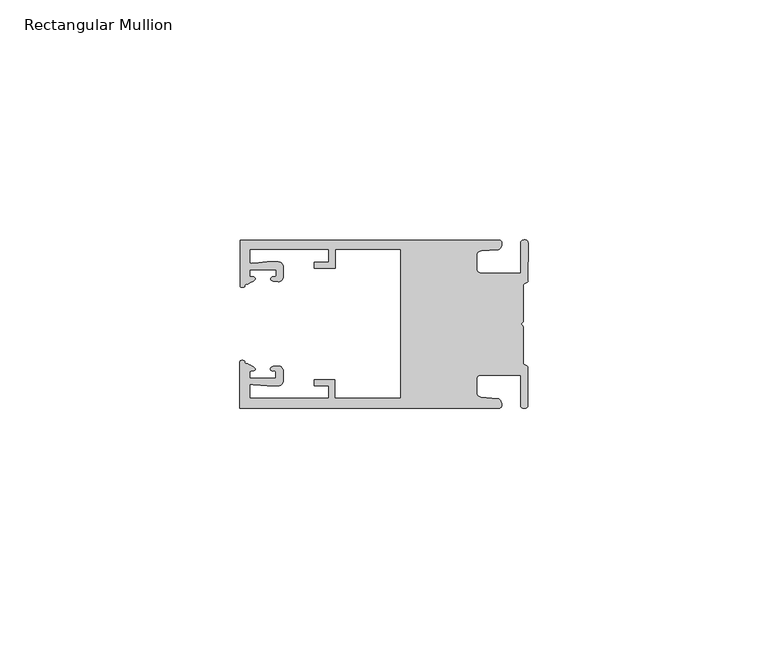
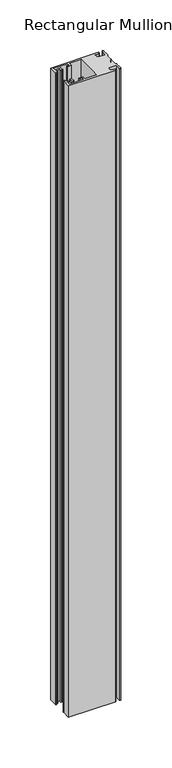
"""IFC4 building model written with IfcOpenShell, lengths in millimetres: member geometry, Rectangular Mullion."""

from ifc_helpers import new_model, si_unit, frame, origin, place, context, project, spatial, circle_curve, source, transform, mapped, element, save
from ifc_brep_helpers import plane_surface, cylinder_surface, extruded_surface, spline_curve, advanced_brep


def rectangular_mullion_33984936(model_context):
    return source(origin(), model_context, "Body", "AdvancedBrep", [
        advanced_brep(
        [(-60.0749377, 17.5111528, 0.0), (-60.0749377, 8.0140787, 0.0), (-59.3252567, 7.7187455, 0.0), (-58.4967974, 8.36785, 0.0), (-58.0726619, 10.1173923, 0.0), (-58.0713101, 11.3673916, 0.0), (-52.5713133, 11.3614437, 0.0), (-52.5726651, 10.1114444, 0.0), (-53.1427626, 8.8955539, 0.0), (-52.0740172, 8.8609044, 0.0), (-51.0729364, 9.8598224, 0.0), (-51.0706653, 11.9598211, 0.0), (-52.0700692, 12.9609024, 0.0), (-54.3905105, 12.9622843, 0.0), (-57.1599646, 12.7230061, 0.0), (-58.0696339, 12.9173907, 0.0), (-58.066768, 15.5673891, 0.0), (-41.5667584, 15.5673891, 0.0), (-41.5695894, 12.9495468, 0.0), (-44.5695877, 12.9527912, 0.0), (-44.5709936, 11.6527919, 0.0), (-40.2709961, 11.6481417, 0.0), (-40.2667576, 15.5673891, 0.0), (-26.6002952, 15.5673891, 0.0), (-26.6002952, -15.4518424, 0.0), (-40.3003032, -15.4518424, 0.0), (-40.2960856, -11.5518447, 0.0), (-44.5960831, -11.5471945, 0.0), (-44.597489, -12.8471938, 0.0), (-41.5974907, -12.8504381, 0.0), (-41.6003025, -15.4504366, 0.0), (-58.1002928, -15.4325927, 0.0), (-58.097427, -12.7825943, 0.0), (-57.1873395, -12.5901776, 0.0), (-54.4184094, -12.8354453, 0.0), (-52.0979705, -12.8390822, 0.0), (-51.0964037, -11.8401649, 0.0), (-51.0941327, -9.7401662, 0.0), (-52.0930507, -8.7390853, 0.0), (-53.1618685, -8.7714231, 0.0), (-52.5944022, -9.9885439, 0.0), (-52.595754, -11.2385431, 0.0), (-58.0957508, -11.2325952, 0.0), (-58.094399, -9.9825959, 0.0), (-58.5147494, -8.2321403, 0.0), (-59.3418028, -7.5812455, 0.0), (-60.0921208, -7.8749565, 0.0), (-60.0921208, -17.4888267, 0.0), (-6.1024861, -17.4888267, 0.0), (-6.5218639, -15.488372, 0.0), (-9.8784944, -15.2205466, 0.0), (-10.7989567, -14.2226333, 0.0), (-10.7961029, -11.5837474, 0.0), (-9.8734844, -10.5878272, 0.0), (-1.5950266, -10.5934991, 0.0), (-1.601948, -16.9936935, 0.0), (-0.1017194, -16.7830581, 0.0), (-0.0933208, -9.0170082, 0.0), (-1.0923837, -8.1499018, 0.0), (-1.0842165, -0.5977972, 0.0), (-1.0829111, 0.6093089, 0.0), (-1.0747439, 8.1614135, 0.0), (-0.0738079, 9.026357, 0.0), (-0.0654093, 16.7924069, 0.0), (-1.5651789, 17.0062866, 0.0), (-1.5651789, 10.6183257, 0.0), (-9.8505511, 10.6183257, 0.0), (-10.7710133, 11.6162391, 0.0), (-10.7681595, 14.255125, 0.0), (-9.845541, 15.2510452, 0.0), (-6.4883391, 15.5116099, 0.0), (-6.0646356, 17.5111528, 0.0), (-60.0749377, 17.5111528, -761.3333333), (-6.0646356, 17.5111528, -761.3333333), (-6.4883391, 15.5116099, -761.3333333), (-9.845541, 15.2510452, -761.3333333), (-10.7681595, 14.255125, -761.3333333), (-10.7710133, 11.6162391, -761.3333333), (-9.8505511, 10.6183257, -761.3333333), (-1.5651789, 10.6183257, -761.3333333), (-1.5651789, 17.0062866, -761.3333333), (-0.0654093, 16.7924069, -761.3333333), (-0.0738079, 9.026357, -761.3333333), (-1.0747439, 8.1614135, -761.3333333), (-1.0829111, 0.6093089, -761.3333333), (-1.0842165, -0.5977972, -761.3333333), (-1.0923837, -8.1499018, -761.3333333), (-0.0933208, -9.0170082, -761.3333333), (-0.1017194, -16.7830581, -761.3333333), (-1.601948, -16.9936935, -761.3333333), (-1.5950266, -10.5934991, -761.3333333), (-9.8734844, -10.5878272, -761.3333333), (-10.7961029, -11.5837474, -761.3333333), (-10.7989567, -14.2226333, -761.3333333), (-9.8784944, -15.2205466, -761.3333333), (-6.5218639, -15.488372, -761.3333333), (-6.1024861, -17.4888267, -761.3333333), (-60.0921208, -17.4888267, -761.3333333), (-60.0921208, -7.8749565, -761.3333333), (-59.3418028, -7.5812455, -761.3333333), (-58.5147494, -8.2321403, -761.3333333), (-58.094399, -9.9825959, -761.3333333), (-58.0957508, -11.2325952, -761.3333333), (-52.595754, -11.2385431, -761.3333333), (-52.5944022, -9.9885439, -761.3333333), (-53.1618685, -8.7714231, -761.3333333), (-52.0930507, -8.7390853, -761.3333333), (-51.0941327, -9.7401662, -761.3333333), (-51.0964037, -11.8401649, -761.3333333), (-52.0979705, -12.8390823, -761.3333333), (-54.4184094, -12.8354453, -761.3333333), (-57.1873395, -12.5901776, -761.3333333), (-58.097427, -12.7825943, -761.3333333), (-58.1002928, -15.4325927, -761.3333333), (-41.6003025, -15.4504366, -761.3333333), (-41.5974907, -12.8504381, -761.3333333), (-44.597489, -12.8471938, -761.3333333), (-44.5960831, -11.5471945, -761.3333333), (-40.2960856, -11.5518447, -761.3333333), (-40.3003032, -15.4518424, -761.3333333), (-26.6002952, -15.4518424, -761.3333333), (-26.6002952, 15.5673891, -761.3333333), (-40.2667576, 15.5673891, -761.3333333), (-40.2709961, 11.6481417, -761.3333333), (-44.5709936, 11.6527919, -761.3333333), (-44.5695877, 12.9527912, -761.3333333), (-41.5695894, 12.9495468, -761.3333333), (-41.5667584, 15.5673891, -761.3333333), (-58.066768, 15.5673891, -761.3333333), (-58.0696339, 12.9173907, -761.3333333), (-57.1599646, 12.7230061, -761.3333333), (-54.3905105, 12.9622843, -761.3333333), (-52.0700692, 12.9609023, -761.3333333), (-51.0706653, 11.9598211, -761.3333333), (-51.0729364, 9.8598224, -761.3333333), (-52.0740172, 8.8609044, -761.3333333), (-53.1427626, 8.8955539, -761.3333333), (-52.5726651, 10.1114444, -761.3333333), (-52.5713133, 11.3614437, -761.3333333), (-58.0713101, 11.3673916, -761.3333333), (-58.0726619, 10.1173923, -761.3333333), (-58.4967974, 8.36785, -761.3333333), (-59.3252567, 7.7187455, -761.3333333), (-60.0749377, 8.0140787, -761.3333333)],
        [
            (0, 1),
            (1, 2, spline_curve(3, [(-60.0749377, 8.0140787, 0.0), (-60.075233123, 7.740904774, 0.0), (-59.825339491, 7.642460332, 0.0), (-59.3252567, 7.7187455, 0.0)], [4, 4], [0.0, 0.0019169337574178654])),
            (2, 3, spline_curve(3, [(-59.3252567, 7.7187455, 0.0), (-59.094460914, 7.75918372, 0.0), (-59.054835463, 7.902257199, 0.0), (-59.05559987, 8.233305614, 0.0), (-59.138729113, 8.4134359, 0.0), (-58.4967974, 8.36785, 0.0)], [4, 2, 4], [0.0, 0.0010199524164107188, 0.0024874514725970356])),
            (3, 4, spline_curve(3, [(-58.4967974, 8.36785, 0.0), (-57.022393378, 9.053435667, 0.0), (-56.827266887, 9.364828726, 0.0), (-56.982213078, 9.742623404, 0.0), (-57.177375211, 9.855581791, 0.0), (-57.697928101, 9.887955071, 0.0), (-57.997449153, 9.835475348, 0.0), (-58.0726619, 10.1173923, 0.0)], [4, 2, 2, 4], [0.0, 0.003269869179570428, 0.005490050486237203, 0.0073545767114364426])),
            (4, 5),
            (5, 6),
            (6, 7),
            (7, 8, spline_curve(3, [(-52.5726651, 10.1114444, 0.0), (-52.667195519, 9.760172042, 0.0), (-52.937094388, 9.861877724, 0.0), (-53.356237032, 9.895631753, 0.0), (-53.491940439, 9.811038713, 0.0), (-53.761900775, 9.511438033, 0.0), (-53.892893546, 9.278787104, 0.0), (-53.1427626, 8.8955539, 0.0)], [4, 2, 2, 4], [0.0, 0.001593963049934732, 0.0033360256320283306, 0.005339140673503943])),
            (8, 9),
            (9, 10, circle_curve(frame((-52.0729358, 9.8609038, 0.0), z_axis=(0.0, 0.0, 1.0), x_axis=(-0.0010814451158600304, -0.9999994152380598, 0.0)), 1.0)),
            (10, 11),
            (11, 12, circle_curve(frame((-52.0706647, 11.9609026, 0.0), z_axis=(0.0, 0.0, 1.0), x_axis=(-0.0010814451158600304, -0.9999994152380598, 0.0)), 1.0)),
            (12, 13),
            (13, 14),
            (14, 15, spline_curve(3, [(-57.1599646, 12.7230061, 0.0), (-57.631533854, 12.682262968, 0.0), (-58.018602985, 12.477800124, 0.0), (-58.0696339, 12.9173907, 0.0)], [4, 4], [0.0, 0.0014803385355886016])),
            (15, 16),
            (16, 17),
            (17, 18),
            (18, 19),
            (19, 20),
            (20, 21),
            (21, 22),
            (22, 23),
            (23, 24),
            (24, 25),
            (25, 26),
            (26, 27),
            (27, 28),
            (28, 29),
            (29, 30),
            (30, 31),
            (31, 32),
            (32, 33, spline_curve(3, [(-58.097427, -12.7825943, 0.0), (-58.045445419, -12.343115126, 0.0), (-57.658819528, -12.548414611, 0.0), (-57.1873395, -12.5901776, 0.0)], [4, 4], [0.0, 0.0014803385355886016])),
            (33, 34),
            (34, 35),
            (35, 36, circle_curve(frame((-52.0964031, -11.8390835, 0.0), z_axis=(0.0, 0.0, 1.0), x_axis=(0.0010814451158600304, 0.9999994152380598, 0.0)), 1.0)),
            (36, 37),
            (37, 38, circle_curve(frame((-52.0941321, -9.7390847, 0.0), z_axis=(0.0, 0.0, 1.0), x_axis=(0.0010814451158600304, 0.9999994152380598, 0.0)), 1.0)),
            (38, 39),
            (39, 40, spline_curve(3, [(-53.1618685, -8.7714231, 0.0), (-53.912826582, -9.153032958, 0.0), (-53.782337352, -9.385966711, 0.0), (-53.51302565, -9.686150585, 0.0), (-53.377505444, -9.771037009, 0.0), (-52.958290774, -9.738189618, 0.0), (-52.688172635, -9.637067904, 0.0), (-52.5944022, -9.9885439, 0.0)], [4, 2, 2, 4], [0.0, 0.002003115041475612, 0.0037451776235692107, 0.005339140673503943])),
            (40, 41),
            (41, 42),
            (42, 43),
            (43, 44, spline_curve(3, [(-58.094399, -9.9825959, 0.0), (-58.018576674, -9.700842284, 0.0), (-57.719169706, -9.753969703, 0.0), (-57.198548014, -9.722722397, 0.0), (-57.003142178, -9.61018632, 0.0), (-56.847379222, -9.232727657, 0.0), (-57.041831673, -8.920913336, 0.0), (-58.5147494, -8.2321403, 0.0)], [4, 2, 2, 4], [0.0, 0.0018645262251992395, 0.004084707531866015, 0.0073545767114364426])),
            (44, 45, spline_curve(3, [(-58.5147494, -8.2321403, 0.0), (-59.156778208, -8.276337666, 0.0), (-59.073259494, -8.096387681, 0.0), (-59.071779067, -7.765341694, 0.0), (-59.111095017, -7.622182811, 0.0), (-59.3418028, -7.5812455, 0.0)], [4, 2, 4], [0.0, 0.0014674990561863168, 0.0024874514725970356])),
            (45, 46, spline_curve(3, [(-59.3418028, -7.5812455, 0.0), (-59.841719425, -7.503878887, 0.0), (-60.091825377, -7.601782574, 0.0), (-60.0921208, -7.8749565, 0.0)], [4, 4], [0.0, 0.0019169337574178654])),
            (46, 47),
            (47, 48),
            (48, 49, spline_curve(3, [(-6.1024861, -17.4888267, 0.0), (-5.074532184, -17.418062188, 0.0), (-5.631140689, -15.411414367, 0.0), (-6.5218639, -15.488372, 0.0)], [4, 4], [0.0, 0.0043819361547461745])),
            (49, 50),
            (50, 51, spline_curve(3, [(-9.8784944, -15.2205466, 0.0), (-10.440691543, -15.150698463, 0.0), (-10.74751234, -14.818060727, 0.0), (-10.7989567, -14.2226333, 0.0)], [4, 4], [0.0, 0.0028645797420738927])),
            (51, 52),
            (52, 53, spline_curve(3, [(-10.7961029, -11.5837474, 0.0), (-10.743370817, -10.988432634, 0.0), (-10.435831301, -10.656459204, 0.0), (-9.8734844, -10.5878272, 0.0)], [4, 4], [0.0, 0.0028645797420738927])),
            (53, 54),
            (54, 55),
            (55, 56, spline_curve(3, [(-1.601948, -16.9936935, 0.0), (-1.655676874, -17.600261454, 0.0), (-0.043737403, -17.912795581, 0.0), (-0.1017194, -16.7830581, 0.0)], [4, 4], [0.0, 0.0036987374396357936])),
            (56, 57),
            (57, 58, spline_curve(3, [(-0.0933208, -9.0170082, 0.0), (-0.018818183, -8.695886697, 0.0), (-1.193434327, -8.459763043, 0.0), (-1.0923837, -8.1499018, 0.0)], [4, 4], [0.0, 0.002027216749630121])),
            (58, 59),
            (59, 60, spline_curve(3, [(-1.0842165, -0.5977972, 0.0), (-1.013223198, -0.445980437, 0.0), (-1.487945123, -0.206736825, 0.0), (-1.487409651, 0.231097965, 0.0), (-0.999110985, 0.429090391, 0.0), (-1.0829111, 0.6093089, 0.0)], [4, 2, 4], [0.0, 0.00249866671847065, 0.005031402919736269])),
            (60, 61),
            (61, 62, spline_curve(3, [(-1.0747439, 8.1614135, 0.0), (-1.175124095, 8.47149258, 0.0), (-7e-09, 8.705075107, 0.0), (-0.0738079, 9.026357, 0.0)], [4, 4], [0.0, 0.002027216749630121])),
            (62, 63),
            (63, 64, spline_curve(3, [(-0.0654093, 16.7924069, 0.0), (-0.004983942, 17.92201633, 0.0), (-1.617595709, 17.612969344, 0.0), (-1.5651789, 17.0062866, 0.0)], [4, 4], [0.0, 0.0036987374396357936])),
            (64, 65),
            (65, 66),
            (66, 67, spline_curve(3, [(-9.8505511, 10.6183257, 0.0), (-10.412748243, 10.688173837, 0.0), (-10.71956894, 11.020811673, 0.0), (-10.7710133, 11.6162391, 0.0)], [4, 4], [0.0, 0.0028645797420738927])),
            (67, 68),
            (68, 69, spline_curve(3, [(-10.7681595, 14.255125, 0.0), (-10.715427417, 14.850439766, 0.0), (-10.407887901, 15.182413196, 0.0), (-9.845541, 15.2510452, 0.0)], [4, 4], [0.0, 0.0028645797420738927])),
            (69, 70),
            (70, 71, spline_curve(3, [(-6.4883391, 15.5116099, 0.0), (-5.597784423, 15.432725911, 0.0), (-5.036837144, 17.438165103, 0.0), (-6.0646356, 17.5111528, 0.0)], [4, 4], [0.0, 0.0043819361547461745])),
            (71, 0),
            (72, 73),
            (73, 74, spline_curve(3, [(-6.0646356, 17.5111528, -761.3333333), (-5.036837144, 17.438165103, -761.3333333), (-5.597784423, 15.432725911, -761.3333333), (-6.4883391, 15.5116099, -761.3333333)], [4, 4], [0.0, 0.0043819361547461745])),
            (74, 75),
            (75, 76, spline_curve(3, [(-9.845541, 15.2510452, -761.3333333), (-10.407887901, 15.182413196, -761.3333333), (-10.715427417, 14.850439766, -761.3333333), (-10.7681595, 14.255125, -761.3333333)], [4, 4], [0.0, 0.0028645797420738927])),
            (76, 77),
            (77, 78, spline_curve(3, [(-10.7710133, 11.6162391, -761.3333333), (-10.71956894, 11.020811673, -761.3333333), (-10.412748243, 10.688173837, -761.3333333), (-9.8505511, 10.6183257, -761.3333333)], [4, 4], [0.0, 0.0028645797420738927])),
            (78, 79),
            (79, 80),
            (80, 81, spline_curve(3, [(-1.5651789, 17.0062866, -761.3333333), (-1.617595709, 17.612969344, -761.3333333), (-0.004983942, 17.92201633, -761.3333333), (-0.0654093, 16.7924069, -761.3333333)], [4, 4], [0.0, 0.0036987374396357936])),
            (81, 82),
            (82, 83, spline_curve(3, [(-0.0738079, 9.026357, -761.3333333), (-7e-09, 8.705075107, -761.3333333), (-1.175124095, 8.47149258, -761.3333333), (-1.0747439, 8.1614135, -761.3333333)], [4, 4], [0.0, 0.002027216749630121])),
            (83, 84),
            (84, 85, spline_curve(3, [(-1.0829111, 0.6093089, -761.3333333), (-0.999110985, 0.429090391, -761.3333333), (-1.487409651, 0.231097965, -761.3333333), (-1.487945123, -0.206736825, -761.3333333), (-1.013223198, -0.445980437, -761.3333333), (-1.0842165, -0.5977972, -761.3333333)], [4, 2, 4], [0.0, 0.002532736201265619, 0.005031402919736269])),
            (85, 86),
            (86, 87, spline_curve(3, [(-1.0923837, -8.1499018, -761.3333333), (-1.193434327, -8.459763043, -761.3333333), (-0.018818183, -8.695886697, -761.3333333), (-0.0933208, -9.0170082, -761.3333333)], [4, 4], [0.0, 0.002027216749630121])),
            (87, 88),
            (88, 89, spline_curve(3, [(-0.1017194, -16.7830581, -761.3333333), (-0.043737403, -17.912795581, -761.3333333), (-1.655676874, -17.600261454, -761.3333333), (-1.601948, -16.9936935, -761.3333333)], [4, 4], [0.0, 0.0036987374396357936])),
            (89, 90),
            (90, 91),
            (91, 92, spline_curve(3, [(-9.8734844, -10.5878272, -761.3333333), (-10.435831301, -10.656459204, -761.3333333), (-10.743370817, -10.988432634, -761.3333333), (-10.7961029, -11.5837474, -761.3333333)], [4, 4], [0.0, 0.0028645797420738927])),
            (92, 93),
            (93, 94, spline_curve(3, [(-10.7989567, -14.2226333, -761.3333333), (-10.74751234, -14.818060727, -761.3333333), (-10.440691543, -15.150698463, -761.3333333), (-9.8784944, -15.2205466, -761.3333333)], [4, 4], [0.0, 0.0028645797420738927])),
            (94, 95),
            (95, 96, spline_curve(3, [(-6.5218639, -15.488372, -761.3333333), (-5.631140689, -15.411414367, -761.3333333), (-5.074532184, -17.418062188, -761.3333333), (-6.1024861, -17.4888267, -761.3333333)], [4, 4], [0.0, 0.0043819361547461745])),
            (96, 97),
            (97, 98),
            (98, 99, spline_curve(3, [(-60.0921208, -7.8749565, -761.3333333), (-60.091825377, -7.601782574, -761.3333333), (-59.841719425, -7.503878887, -761.3333333), (-59.3418028, -7.5812455, -761.3333333)], [4, 4], [0.0, 0.0019169337574178654])),
            (99, 100, spline_curve(3, [(-59.3418028, -7.5812455, -761.3333333), (-59.111095017, -7.622182811, -761.3333333), (-59.071779067, -7.765341694, -761.3333333), (-59.073259494, -8.096387681, -761.3333333), (-59.156778208, -8.276337666, -761.3333333), (-58.5147494, -8.2321403, -761.3333333)], [4, 2, 4], [0.0, 0.0010199524164107188, 0.0024874514725970356])),
            (100, 101, spline_curve(3, [(-58.5147494, -8.2321403, -761.3333333), (-57.041831673, -8.920913336, -761.3333333), (-56.847379222, -9.232727657, -761.3333333), (-57.003142178, -9.61018632, -761.3333333), (-57.198548014, -9.722722397, -761.3333333), (-57.719169706, -9.753969703, -761.3333333), (-58.018576674, -9.700842284, -761.3333333), (-58.094399, -9.9825959, -761.3333333)], [4, 2, 2, 4], [0.0, 0.003269869179570428, 0.005490050486237203, 0.0073545767114364426])),
            (101, 102),
            (102, 103),
            (103, 104),
            (104, 105, spline_curve(3, [(-52.5944022, -9.9885439, -761.3333333), (-52.688172635, -9.637067904, -761.3333333), (-52.958290774, -9.738189618, -761.3333333), (-53.377505444, -9.771037009, -761.3333333), (-53.51302565, -9.686150585, -761.3333333), (-53.782337352, -9.385966711, -761.3333333), (-53.912826582, -9.153032958, -761.3333333), (-53.1618685, -8.7714231, -761.3333333)], [4, 2, 2, 4], [0.0, 0.001593963049934732, 0.0033360256320283306, 0.005339140673503943])),
            (105, 106),
            (106, 107, circle_curve(frame((-52.0941321, -9.7390847, -761.3333333), z_axis=(0.0, 0.0, -1.0), x_axis=(0.0010814451158600304, 0.9999994152380598, 0.0)), 1.0)),
            (107, 108),
            (108, 109, circle_curve(frame((-52.0964031, -11.8390835, -761.3333333), z_axis=(0.0, 0.0, -1.0), x_axis=(0.0010814451158600304, 0.9999994152380598, 0.0)), 1.0)),
            (109, 110),
            (110, 111),
            (111, 112, spline_curve(3, [(-57.1873395, -12.5901776, -761.3333333), (-57.658819528, -12.548414611, -761.3333333), (-58.045445419, -12.343115126, -761.3333333), (-58.097427, -12.7825943, -761.3333333)], [4, 4], [0.0, 0.0014803385355886016])),
            (112, 113),
            (113, 114),
            (114, 115),
            (115, 116),
            (116, 117),
            (117, 118),
            (118, 119),
            (119, 120),
            (120, 121),
            (121, 122),
            (122, 123),
            (123, 124),
            (124, 125),
            (125, 126),
            (126, 127),
            (127, 128),
            (128, 129),
            (129, 130, spline_curve(3, [(-58.0696339, 12.9173907, -761.3333333), (-58.018602985, 12.477800124, -761.3333333), (-57.631533854, 12.682262968, -761.3333333), (-57.1599646, 12.7230061, -761.3333333)], [4, 4], [0.0, 0.0014803385355886016])),
            (130, 131),
            (131, 132),
            (132, 133, circle_curve(frame((-52.0706647, 11.9609026, -761.3333333), z_axis=(0.0, 0.0, -1.0), x_axis=(-0.0010814451158600304, -0.9999994152380598, 0.0)), 1.0)),
            (133, 134),
            (134, 135, circle_curve(frame((-52.0729358, 9.8609038, -761.3333333), z_axis=(0.0, 0.0, -1.0), x_axis=(-0.0010814451158600304, -0.9999994152380598, 0.0)), 1.0)),
            (135, 136),
            (136, 137, spline_curve(3, [(-53.1427626, 8.8955539, -761.3333333), (-53.892893546, 9.278787104, -761.3333333), (-53.761900775, 9.511438033, -761.3333333), (-53.491940439, 9.811038713, -761.3333333), (-53.356237032, 9.895631753, -761.3333333), (-52.937094388, 9.861877724, -761.3333333), (-52.667195519, 9.760172042, -761.3333333), (-52.5726651, 10.1114444, -761.3333333)], [4, 2, 2, 4], [0.0, 0.002003115041475612, 0.0037451776235692107, 0.005339140673503943])),
            (137, 138),
            (138, 139),
            (139, 140),
            (140, 141, spline_curve(3, [(-58.0726619, 10.1173923, -761.3333333), (-57.997449153, 9.835475348, -761.3333333), (-57.697928101, 9.887955071, -761.3333333), (-57.177375211, 9.855581791, -761.3333333), (-56.982213078, 9.742623404, -761.3333333), (-56.827266887, 9.364828726, -761.3333333), (-57.022393378, 9.053435667, -761.3333333), (-58.4967974, 8.36785, -761.3333333)], [4, 2, 2, 4], [0.0, 0.0018645262251992395, 0.004084707531866015, 0.0073545767114364426])),
            (141, 142, spline_curve(3, [(-58.4967974, 8.36785, -761.3333333), (-59.138729113, 8.4134359, -761.3333333), (-59.05559987, 8.233305614, -761.3333333), (-59.054835463, 7.902257199, -761.3333333), (-59.094460914, 7.75918372, -761.3333333), (-59.3252567, 7.7187455, -761.3333333)], [4, 2, 4], [0.0, 0.0014674990561863168, 0.0024874514725970356])),
            (142, 143, spline_curve(3, [(-59.3252567, 7.7187455, -761.3333333), (-59.825339491, 7.642460332, -761.3333333), (-60.075233123, 7.740904774, -761.3333333), (-60.0749377, 8.0140787, -761.3333333)], [4, 4], [0.0, 0.0019169337574178654])),
            (143, 72),
            (0, 72),
            (143, 1),
            (142, 2),
            (141, 3),
            (140, 4),
            (139, 5),
            (138, 6),
            (137, 7),
            (136, 8),
            (135, 9),
            (134, 10),
            (133, 11),
            (132, 12),
            (131, 13),
            (130, 14),
            (129, 15),
            (128, 16),
            (127, 17),
            (126, 18),
            (125, 19),
            (124, 20),
            (123, 21),
            (122, 22),
            (121, 23),
            (120, 24),
            (119, 25),
            (118, 26),
            (117, 27),
            (116, 28),
            (115, 29),
            (114, 30),
            (113, 31),
            (112, 32),
            (111, 33),
            (110, 34),
            (109, 35),
            (108, 36),
            (107, 37),
            (106, 38),
            (105, 39),
            (104, 40),
            (103, 41),
            (102, 42),
            (101, 43),
            (100, 44),
            (99, 45),
            (98, 46),
            (97, 47),
            (96, 48),
            (95, 49),
            (94, 50),
            (93, 51),
            (92, 52),
            (91, 53),
            (90, 54),
            (89, 55),
            (88, 56),
            (87, 57),
            (86, 58),
            (85, 59),
            (84, 60),
            (83, 61),
            (82, 62),
            (81, 63),
            (80, 64),
            (79, 65),
            (78, 66),
            (77, 67),
            (76, 68),
            (75, 69),
            (74, 70),
            (73, 71),
        ],
        [
            plane_surface(frame((0.0, -62.5853181, 0.0), z_axis=(0.0, 0.0, 1.0), x_axis=(-1.0, 0.0, 0.0))),
            plane_surface(frame((0.0, -62.5853181, -761.3333333), z_axis=(0.0, 0.0, -1.0), x_axis=(-1.0, 0.0, 0.0))),
            plane_surface(frame((-60.0749377, 17.5111528, 0.0), z_axis=(-1.0, 0.0, 0.0), x_axis=(0.0, 0.0, -1.0))),
            extruded_surface(spline_curve(3, [(-60.0749377, 8.0140787, -761.3333333), (-60.075233123, 7.740904774, -761.3333333), (-59.825339491, 7.642460332, -761.3333333), (-59.3252567, 7.7187455, -761.3333333)], [4, 4], [0.0, 0.0019169337574178654]), (0.0, 0.0, 761.3333333), 761.3333333),
            extruded_surface(spline_curve(3, [(-59.3252567, 7.7187455, -761.3333333), (-59.094460914, 7.75918372, -761.3333333), (-59.054835463, 7.902257199, -761.3333333), (-59.05559987, 8.233305614, -761.3333333), (-59.138729113, 8.4134359, -761.3333333), (-58.4967974, 8.36785, -761.3333333)], [4, 2, 4], [0.0, 0.0010199524164107188, 0.0024874514725970356]), (0.0, 0.0, 761.3333333), 761.3333333),
            extruded_surface(spline_curve(3, [(-58.4967974, 8.36785, -761.3333333), (-57.022393378, 9.053435667, -761.3333333), (-56.827266887, 9.364828726, -761.3333333), (-56.982213078, 9.742623404, -761.3333333), (-57.177375211, 9.855581791, -761.3333333), (-57.697928101, 9.887955071, -761.3333333), (-57.997449153, 9.835475348, -761.3333333), (-58.0726619, 10.1173923, -761.3333333)], [4, 2, 2, 4], [0.0, 0.003269869179570428, 0.005490050486237203, 0.0073545767114364426]), (0.0, 0.0, 761.3333333), 761.3333333),
            plane_surface(frame((-58.0726619, 10.1173923, 0.0), z_axis=(0.9999994152380598, -0.0010814451158634145, 0.0), x_axis=(0.0, 0.0, -1.0))),
            plane_surface(frame((-58.0713101, 11.3673916, 0.0), z_axis=(-0.0010814451158616418, -0.9999994152380598, 0.0), x_axis=(0.0, 0.0, -1.0))),
            plane_surface(frame((-52.5713133, 11.3614437, 0.0), z_axis=(-0.9999994152380598, 0.0010814451158643293, 0.0), x_axis=(0.0, 0.0, -1.0))),
            extruded_surface(spline_curve(3, [(-52.5726651, 10.1114444, -761.3333333), (-52.667195519, 9.760172042, -761.3333333), (-52.937094388, 9.861877724, -761.3333333), (-53.356237032, 9.895631753, -761.3333333), (-53.491940439, 9.811038713, -761.3333333), (-53.761900775, 9.511438033, -761.3333333), (-53.892893546, 9.278787104, -761.3333333), (-53.1427626, 8.8955539, -761.3333333)], [4, 2, 2, 4], [0.0, 0.001593963049934732, 0.0033360256320283306, 0.005339140673503943]), (0.0, 0.0, 761.3333333), 761.3333333),
            plane_surface(frame((-53.1427626, 8.8955539, 0.0), z_axis=(-0.032403661401520414, -0.9994748634797054, 0.0), x_axis=(0.0, 0.0, -1.0))),
            cylinder_surface(frame((-52.0729358, 9.8609038, 0.0), z_axis=(0.0, 0.0, 1.0000000000000002), x_axis=(-0.0010814451158600304, -0.9999994152380598, 0.0)), 1.0),
            plane_surface(frame((-51.0729364, 9.8598224, 0.0), z_axis=(0.9999994152380598, -0.001081445115864059, 0.0), x_axis=(0.0, 0.0, -1.0))),
            cylinder_surface(frame((-52.0706647, 11.9609026, 0.0), z_axis=(0.0, 0.0, 1.0000000000000002), x_axis=(-0.0010814451158600304, -0.9999994152380598, 0.0)), 1.0),
            plane_surface(frame((-52.0700692, 12.9609023, 0.0), z_axis=(0.0005955716436318007, 0.999999822647193, 0.0), x_axis=(0.0, 0.0, -1.0))),
            plane_surface(frame((-54.3905105, 12.9622843, 0.0), z_axis=(-0.08607836189159865, 0.9962883697073147, 0.0), x_axis=(0.0, 0.0, -1.0))),
            extruded_surface(spline_curve(3, [(-57.1599646, 12.7230061, -761.3333333), (-57.631533854, 12.682262968, -761.3333333), (-58.018602985, 12.477800124, -761.3333333), (-58.0696339, 12.9173907, -761.3333333)], [4, 4], [0.0, 0.0014803385355886016]), (0.0, 0.0, 761.3333333), 761.3333333),
            plane_surface(frame((-58.0696339, 12.9173907, 0.0), z_axis=(0.9999994152380598, -0.0010814451158629996, 0.0), x_axis=(0.0, 0.0, -1.0))),
            plane_surface(frame((-58.066768, 15.5673891, 0.0), z_axis=(0.0, -1.0, 0.0), x_axis=(0.0, 0.0, -1.0))),
            plane_surface(frame((-41.5667584, 15.5673891, 0.0), z_axis=(-0.9999994152380598, 0.0010814451158636304, 0.0), x_axis=(0.0, 0.0, -1.0))),
            plane_surface(frame((-41.5695894, 12.9495468, 0.0), z_axis=(0.0010814451158615687, 0.9999994152380598, 0.0), x_axis=(0.0, 0.0, -1.0))),
            plane_surface(frame((-44.5695877, 12.9527912, 0.0), z_axis=(-0.9999994152380598, 0.0010814451158626742, 0.0), x_axis=(0.0, 0.0, -1.0))),
            plane_surface(frame((-44.5709936, 11.6527919, 0.0), z_axis=(-0.001081445115861604, -0.9999994152380598, 0.0), x_axis=(0.0, 0.0, -1.0))),
            plane_surface(frame((-40.2709961, 11.6481417, 0.0), z_axis=(0.9999994152380598, -0.001081445115863507, 0.0), x_axis=(0.0, 0.0, -1.0))),
            plane_surface(frame((-40.2667576, 15.5673891, 0.0), z_axis=(0.0, -1.0, 0.0), x_axis=(0.0, 0.0, -1.0))),
            plane_surface(frame((-26.6002952, 15.5673891, 0.0), z_axis=(-1.0, 0.0, 0.0), x_axis=(0.0, 0.0, -1.0))),
            plane_surface(frame((-26.6002952, -15.4518424, 0.0), z_axis=(0.0, 1.0, 0.0), x_axis=(0.0, 0.0, -1.0))),
            plane_surface(frame((-40.3003032, -15.4518424, 0.0), z_axis=(0.9999994152380598, -0.0010814451158565538, 0.0), x_axis=(0.0, 0.0, -1.0))),
            plane_surface(frame((-40.2960856, -11.5518447, 0.0), z_axis=(0.0010814451158584568, 0.9999994152380598, 0.0), x_axis=(0.0, 0.0, -1.0))),
            plane_surface(frame((-44.5960831, -11.5471945, 0.0), z_axis=(-0.9999994152380598, 0.0010814451158573867, 0.0), x_axis=(0.0, 0.0, -1.0))),
            plane_surface(frame((-44.597489, -12.8471938, 0.0), z_axis=(-0.0010814451158584922, -0.9999994152380598, 0.0), x_axis=(0.0, 0.0, -1.0))),
            plane_surface(frame((-41.5974907, -12.8504381, 0.0), z_axis=(-0.9999994152380598, 0.0010814451158564305, 0.0), x_axis=(0.0, 0.0, -1.0))),
            plane_surface(frame((-41.6003025, -15.4504366, 0.0), z_axis=(0.0010814451158583872, 0.9999994152380598, 0.0), x_axis=(0.0, 0.0, -1.0))),
            plane_surface(frame((-58.1002928, -15.4325927, 0.0), z_axis=(0.9999994152380598, -0.0010814451158570612, 0.0), x_axis=(0.0, 0.0, -1.0))),
            extruded_surface(spline_curve(3, [(-58.097427, -12.7825943, -761.3333333), (-58.045445419, -12.343115126, -761.3333333), (-57.658819528, -12.548414611, -761.3333333), (-57.1873395, -12.5901776, -761.3333333)], [4, 4], [0.0, 0.0014803385355886016]), (0.0, 0.0, 761.3333333), 761.3333333),
            plane_surface(frame((-57.1873395, -12.5901776, 0.0), z_axis=(-0.0882330216729926, -0.9960998614026876, 0.0), x_axis=(0.0, 0.0, -1.0))),
            plane_surface(frame((-54.4184094, -12.8354453, 0.0), z_axis=(-0.0015673183327880543, -0.9999987717558677, 0.0), x_axis=(0.0, 0.0, -1.0))),
            cylinder_surface(frame((-52.0964031, -11.8390835, 0.0), z_axis=(0.0, 0.0, 1.0000000000000002), x_axis=(0.0010814451158600304, 0.9999994152380598, 0.0)), 1.0),
            plane_surface(frame((-51.0964037, -11.8401649, 0.0), z_axis=(0.9999994152380598, -0.001081445115856002, 0.0), x_axis=(0.0, 0.0, -1.0))),
            cylinder_surface(frame((-52.0941321, -9.7390847, 0.0), z_axis=(0.0, 0.0, 1.0000000000000002), x_axis=(0.0010814451158600304, 0.9999994152380598, 0.0)), 1.0),
            plane_surface(frame((-52.0930507, -8.7390853, 0.0), z_axis=(-0.030241832452872642, 0.9995426111826812, 0.0), x_axis=(0.0, 0.0, -1.0))),
            extruded_surface(spline_curve(3, [(-53.1618685, -8.7714231, -761.3333333), (-53.912826582, -9.153032958, -761.3333333), (-53.782337352, -9.385966711, -761.3333333), (-53.51302565, -9.686150585, -761.3333333), (-53.377505444, -9.771037009, -761.3333333), (-52.958290774, -9.738189618, -761.3333333), (-52.688172635, -9.637067904, -761.3333333), (-52.5944022, -9.9885439, -761.3333333)], [4, 2, 2, 4], [0.0, 0.002003115041475612, 0.0037451776235692107, 0.005339140673503943]), (0.0, 0.0, 761.3333333), 761.3333333),
            plane_surface(frame((-52.5944022, -9.9885439, 0.0), z_axis=(-0.9999994152380598, 0.0010814451158557316, 0.0), x_axis=(0.0, 0.0, -1.0))),
            plane_surface(frame((-52.595754, -11.2385431, 0.0), z_axis=(0.001081445115858419, 0.9999994152380598, 0.0), x_axis=(0.0, 0.0, -1.0))),
            plane_surface(frame((-58.0957508, -11.2325952, 0.0), z_axis=(0.9999994152380598, -0.0010814451158566464, 0.0), x_axis=(0.0, 0.0, -1.0))),
            extruded_surface(spline_curve(3, [(-58.094399, -9.9825959, -761.3333333), (-58.018576674, -9.700842284, -761.3333333), (-57.719169706, -9.753969703, -761.3333333), (-57.198548014, -9.722722397, -761.3333333), (-57.003142178, -9.61018632, -761.3333333), (-56.847379222, -9.232727657, -761.3333333), (-57.041831673, -8.920913336, -761.3333333), (-58.5147494, -8.2321403, -761.3333333)], [4, 2, 2, 4], [0.0, 0.0018645262251992395, 0.004084707531866015, 0.0073545767114364426]), (0.0, 0.0, 761.3333333), 761.3333333),
            extruded_surface(spline_curve(3, [(-58.5147494, -8.2321403, -761.3333333), (-59.156778208, -8.276337666, -761.3333333), (-59.073259494, -8.096387681, -761.3333333), (-59.071779067, -7.765341694, -761.3333333), (-59.111095017, -7.622182811, -761.3333333), (-59.3418028, -7.5812455, -761.3333333)], [4, 2, 4], [0.0, 0.0014674990561863168, 0.0024874514725970356]), (0.0, 0.0, 761.3333333), 761.3333333),
            extruded_surface(spline_curve(3, [(-59.3418028, -7.5812455, -761.3333333), (-59.841719425, -7.503878887, -761.3333333), (-60.091825377, -7.601782574, -761.3333333), (-60.0921208, -7.8749565, -761.3333333)], [4, 4], [0.0, 0.0019169337574178654]), (0.0, 0.0, 761.3333333), 761.3333333),
            plane_surface(frame((-60.0921208, -7.8749565, 0.0), z_axis=(-1.0, 0.0, 0.0), x_axis=(0.0, 0.0, -1.0))),
            plane_surface(frame((-60.0921208, -17.4888267, 0.0), z_axis=(0.0, -1.0, 0.0), x_axis=(0.0, 0.0, -1.0))),
            extruded_surface(spline_curve(3, [(-6.1024861, -17.4888267, -761.3333333), (-5.074532184, -17.418062188, -761.3333333), (-5.631140689, -15.411414367, -761.3333333), (-6.5218639, -15.488372, -761.3333333)], [4, 4], [0.0, 0.0043819361547461745]), (0.0, 0.0, 761.3333333), 761.3333333),
            plane_surface(frame((-6.5218639, -15.488372, 0.0), z_axis=(0.07953716124904908, 0.9968319015663789, 0.0), x_axis=(0.0, 0.0, -1.0))),
            extruded_surface(spline_curve(3, [(-9.8784944, -15.2205466, -761.3333333), (-10.440691543, -15.150698463, -761.3333333), (-10.74751234, -14.818060727, -761.3333333), (-10.7989567, -14.2226333, -761.3333333)], [4, 4], [0.0, 0.0028645797420738927]), (0.0, 0.0, 761.3333333), 761.3333333),
            plane_surface(frame((-10.7989567, -14.2226333, 0.0), z_axis=(0.9999994152380598, -0.0010814451158568247, 0.0), x_axis=(0.0, 0.0, -1.0))),
            extruded_surface(spline_curve(3, [(-10.7961029, -11.5837474, -761.3333333), (-10.743370817, -10.988432634, -761.3333333), (-10.435831301, -10.656459204, -761.3333333), (-9.8734844, -10.5878272, -761.3333333)], [4, 4], [0.0, 0.0028645797420738927]), (0.0, 0.0, 761.3333333), 761.3333333),
            plane_surface(frame((-9.8734844, -10.5878272, 0.0), z_axis=(-0.0006851371995361226, -0.9999997652934814, 0.0), x_axis=(0.0, 0.0, -1.0))),
            plane_surface(frame((-1.5950266, -10.5934991, 0.0), z_axis=(-0.9999994152380598, 0.0010814451158568644, 0.0), x_axis=(0.0, 0.0, -1.0))),
            extruded_surface(spline_curve(3, [(-1.601948, -16.9936935, -761.3333333), (-1.655676874, -17.600261454, -761.3333333), (-0.043737403, -17.912795581, -761.3333333), (-0.1017194, -16.7830581, -761.3333333)], [4, 4], [0.0, 0.0036987374396357936]), (0.0, 0.0, 761.3333333), 761.3333333),
            plane_surface(frame((-0.1017194, -16.7830581, 0.0), z_axis=(0.9999994152380598, -0.001081445115856699, 0.0), x_axis=(0.0, 0.0, -1.0))),
            extruded_surface(spline_curve(3, [(-0.0933208, -9.0170082, -761.3333333), (-0.018818183, -8.695886697, -761.3333333), (-1.193434327, -8.459763043, -761.3333333), (-1.0923837, -8.1499018, -761.3333333)], [4, 4], [0.0, 0.002027216749630121]), (0.0, 0.0, 761.3333333), 761.3333333),
            plane_surface(frame((-1.0923837, -8.1499018, 0.0), z_axis=(0.9999994152380598, -0.0010814451158566698, 0.0), x_axis=(0.0, 0.0, -1.0))),
            extruded_surface(spline_curve(3, [(-1.0842165, -0.5977972, -761.3333333), (-1.013223198, -0.445980437, -761.3333333), (-1.487945123, -0.206736825, -761.3333333), (-1.487409651, 0.231097965, -761.3333333), (-0.999110985, 0.429090391, -761.3333333), (-1.0829111, 0.6093089, -761.3333333)], [4, 2, 4], [0.0, 0.00249866671847065, 0.005031402919736269]), (0.0, 0.0, 761.3333333), 761.3333333),
            plane_surface(frame((-1.0829111, 0.6093089, 0.0), z_axis=(0.9999994152380598, -0.001081445115863391, 0.0), x_axis=(0.0, 0.0, -1.0))),
            extruded_surface(spline_curve(3, [(-1.0747439, 8.1614135, -761.3333333), (-1.175124095, 8.47149258, -761.3333333), (-7e-09, 8.705075107, -761.3333333), (-0.0738079, 9.026357, -761.3333333)], [4, 4], [0.0, 0.002027216749630121]), (0.0, 0.0, 761.3333333), 761.3333333),
            plane_surface(frame((-0.0738079, 9.026357, 0.0), z_axis=(0.9999994152380598, -0.001081445115863362, 0.0), x_axis=(0.0, 0.0, -1.0))),
            extruded_surface(spline_curve(3, [(-0.0654093, 16.7924069, -761.3333333), (-0.004983942, 17.92201633, -761.3333333), (-1.617595709, 17.612969344, -761.3333333), (-1.5651789, 17.0062866, -761.3333333)], [4, 4], [0.0, 0.0036987374396357936]), (0.0, 0.0, 761.3333333), 761.3333333),
            plane_surface(frame((-1.5651789, 17.0062866, 0.0), z_axis=(-1.0, 0.0, 0.0), x_axis=(0.0, 0.0, -1.0))),
            plane_surface(frame((-1.5651789, 10.6183257, 0.0), z_axis=(0.0, 1.0, 0.0), x_axis=(0.0, 0.0, -1.0))),
            extruded_surface(spline_curve(3, [(-9.8505511, 10.6183257, -761.3333333), (-10.412748243, 10.688173837, -761.3333333), (-10.71956894, 11.020811673, -761.3333333), (-10.7710133, 11.6162391, -761.3333333)], [4, 4], [0.0, 0.0028645797420738927]), (0.0, 0.0, 761.3333333), 761.3333333),
            plane_surface(frame((-10.7710133, 11.6162391, 0.0), z_axis=(0.9999994152380598, -0.0010814451158632362, 0.0), x_axis=(0.0, 0.0, -1.0))),
            extruded_surface(spline_curve(3, [(-10.7681595, 14.255125, -761.3333333), (-10.715427417, 14.850439766, -761.3333333), (-10.407887901, 15.182413196, -761.3333333), (-9.845541, 15.2510452, -761.3333333)], [4, 4], [0.0, 0.0028645797420738927]), (0.0, 0.0, 761.3333333), 761.3333333),
            plane_surface(frame((-9.845541, 15.2510452, 0.0), z_axis=(0.07738093848608862, -0.9970015999781607, 0.0), x_axis=(0.0, 0.0, -1.0))),
            extruded_surface(spline_curve(3, [(-6.4883391, 15.5116099, -761.3333333), (-5.597784423, 15.432725911, -761.3333333), (-5.036837144, 17.438165103, -761.3333333), (-6.0646356, 17.5111528, -761.3333333)], [4, 4], [0.0, 0.0043819361547461745]), (0.0, 0.0, 761.3333333), 761.3333333),
            plane_surface(frame((-6.0646356, 17.5111528, 0.0), z_axis=(0.0, 1.0, 0.0), x_axis=(0.0, 0.0, -1.0))),
        ],
        [
            (0, [[1, 2, 3, 4, 5, 6, 7, 8, 9, 10, 11, 12, 13, 14, 15, 16, 17, 18, 19, 20, 21, 22, 23, 24, 25, 26, 27, 28, 29, 30, 31, 32, 33, 34, 35, 36, 37, 38, 39, 40, 41, 42, 43, 44, 45, 46, 47, 48, 49, 50, 51, 52, 53, 54, 55, 56, 57, 58, 59, 60, 61, 62, 63, 64, 65, 66, 67, 68, 69, 70, 71, 72]]),
            (1, [[73, 74, 75, 76, 77, 78, 79, 80, 81, 82, 83, 84, 85, 86, 87, 88, 89, 90, 91, 92, 93, 94, 95, 96, 97, 98, 99, 100, 101, 102, 103, 104, 105, 106, 107, 108, 109, 110, 111, 112, 113, 114, 115, 116, 117, 118, 119, 120, 121, 122, 123, 124, 125, 126, 127, 128, 129, 130, 131, 132, 133, 134, 135, 136, 137, 138, 139, 140, 141, 142, 143, 144]]),
            (2, [[-1, 145, -144, 146]]),
            (3, [[-2, -146, -143, 147]]),
            (4, [[-3, -147, -142, 148]]),
            (5, [[-4, -148, -141, 149]]),
            (6, [[-5, -149, -140, 150]]),
            (7, [[-6, -150, -139, 151]]),
            (8, [[-7, -151, -138, 152]]),
            (9, [[-8, -152, -137, 153]]),
            (10, [[-9, -153, -136, 154]]),
            (11, [[-10, -154, -135, 155]]),
            (12, [[-11, -155, -134, 156]]),
            (13, [[-12, -156, -133, 157]]),
            (14, [[-13, -157, -132, 158]]),
            (15, [[-14, -158, -131, 159]]),
            (16, [[-15, -159, -130, 160]]),
            (17, [[-16, -160, -129, 161]]),
            (18, [[-17, -161, -128, 162]]),
            (19, [[-18, -162, -127, 163]]),
            (20, [[-19, -163, -126, 164]]),
            (21, [[-20, -164, -125, 165]]),
            (22, [[-21, -165, -124, 166]]),
            (23, [[-22, -166, -123, 167]]),
            (24, [[-23, -167, -122, 168]]),
            (25, [[-24, -168, -121, 169]]),
            (26, [[-25, -169, -120, 170]]),
            (27, [[-26, -170, -119, 171]]),
            (28, [[-27, -171, -118, 172]]),
            (29, [[-28, -172, -117, 173]]),
            (30, [[-29, -173, -116, 174]]),
            (31, [[-30, -174, -115, 175]]),
            (32, [[-31, -175, -114, 176]]),
            (33, [[-32, -176, -113, 177]]),
            (34, [[-33, -177, -112, 178]]),
            (35, [[-34, -178, -111, 179]]),
            (36, [[-35, -179, -110, 180]]),
            (37, [[-36, -180, -109, 181]]),
            (38, [[-37, -181, -108, 182]]),
            (39, [[-38, -182, -107, 183]]),
            (40, [[-39, -183, -106, 184]]),
            (41, [[-40, -184, -105, 185]]),
            (42, [[-41, -185, -104, 186]]),
            (43, [[-42, -186, -103, 187]]),
            (44, [[-43, -187, -102, 188]]),
            (45, [[-44, -188, -101, 189]]),
            (46, [[-45, -189, -100, 190]]),
            (47, [[-46, -190, -99, 191]]),
            (48, [[-47, -191, -98, 192]]),
            (49, [[-48, -192, -97, 193]]),
            (50, [[-49, -193, -96, 194]]),
            (51, [[-50, -194, -95, 195]]),
            (52, [[-51, -195, -94, 196]]),
            (53, [[-52, -196, -93, 197]]),
            (54, [[-53, -197, -92, 198]]),
            (55, [[-54, -198, -91, 199]]),
            (56, [[-55, -199, -90, 200]]),
            (57, [[-56, -200, -89, 201]]),
            (58, [[-57, -201, -88, 202]]),
            (59, [[-58, -202, -87, 203]]),
            (60, [[-59, -203, -86, 204]]),
            (61, [[-60, -204, -85, 205]]),
            (62, [[-61, -205, -84, 206]]),
            (63, [[-62, -206, -83, 207]]),
            (64, [[-63, -207, -82, 208]]),
            (65, [[-64, -208, -81, 209]]),
            (66, [[-65, -209, -80, 210]]),
            (67, [[-66, -210, -79, 211]]),
            (68, [[-67, -211, -78, 212]]),
            (69, [[-68, -212, -77, 213]]),
            (70, [[-69, -213, -76, 214]]),
            (71, [[-70, -214, -75, 215]]),
            (72, [[-71, -215, -74, 216]]),
            (73, [[-72, -216, -73, -145]]),
        ],
    ),
    ])


if __name__ == "__main__":
    model = new_model("IFC4")
    model_context = context("Model", 3, world=origin())
    ifc_project = project(units=[si_unit("LENGTHUNIT", "METRE", prefix="MILLI")], contexts=[model_context])
    site = spatial("IfcSite", under=ifc_project)
    building = spatial("IfcBuilding", under=site)
    placement = place(None, origin())
    rectangular_mullion_shape = rectangular_mullion_33984936(model_context)
    element("IfcMember", 1, ObjectType="Rectangular Mullion", at=placement, inside=building, context=model_context, shape_type="MappedRepresentation", body=[
        mapped(rectangular_mullion_shape, transform((0.0, 0.0, 0.0), x_axis=(1.0, 0.0, 0.0), y_axis=(0.0, 1.0, 0.0), z_axis=(0.0, 0.0, 1.0))),
    ])
    save(model, "model.ifc")
